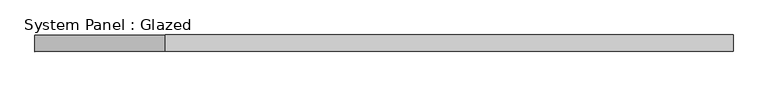
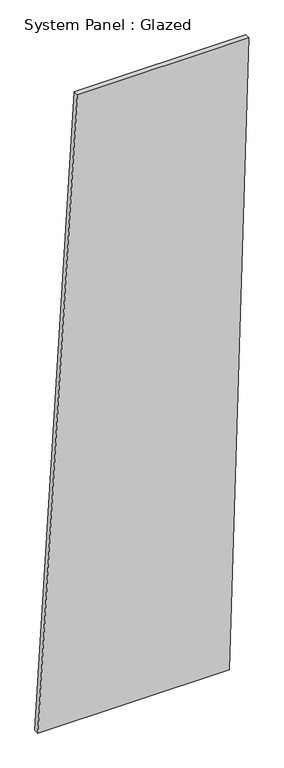
"""IFC4 building model written with IfcOpenShell, lengths in millimetres: plate geometry, System Panel : Glazed."""

from ifc_helpers import new_model, si_unit, frame, origin, place, context, project, spatial, polyline, outline, extrude, source, transform, mapped, element, save


def system_panel_glazed_eb4244e6(model_context):
    return source(origin(), model_context, "Body", "SweptSolid", [
        extrude(outline(polyline([(0.0, -532.6186881), (0.0, 433.1553277), (3338.8114299, 532.6186881), (3338.8114299, -333.6919674), (0.0, -532.6186881)])), frame((0.0, -49.5, 0.0), z_axis=(0.0, 1.0, 0.0), x_axis=(0.0, 0.0, 1.0)), (0.0, 0.0, 1.0), 25.0),
    ])


if __name__ == "__main__":
    model = new_model("IFC4")
    model_context = context("Model", 3, world=origin())
    ifc_project = project(units=[si_unit("LENGTHUNIT", "METRE", prefix="MILLI")], contexts=[model_context])
    site = spatial("IfcSite", under=ifc_project)
    building = spatial("IfcBuilding", under=site)
    placement = place(None, origin())
    system_panel_glazed_shape = system_panel_glazed_eb4244e6(model_context)
    element("IfcPlate", 1, ObjectType="System Panel : Glazed", at=placement, inside=building, context=model_context, shape_type="MappedRepresentation", body=[
        mapped(system_panel_glazed_shape, transform((0.0, 0.0, 0.0), x_axis=(1.0, 0.0, 0.0), y_axis=(0.0, 1.0, 0.0), z_axis=(0.0, 0.0, 1.0))),
    ])
    save(model, "model.ifc")
